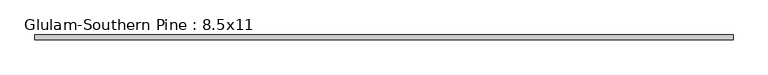
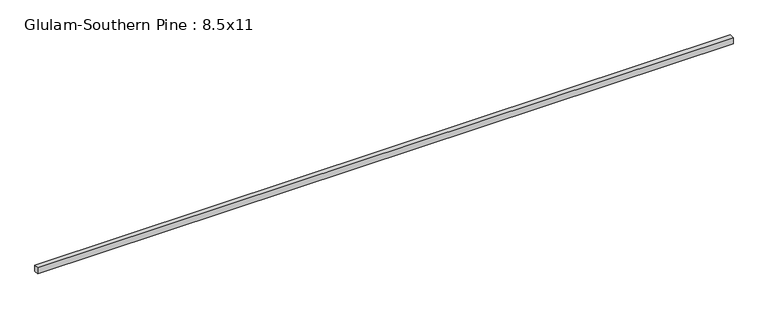
"""IFC4 building model written with IfcOpenShell, lengths in millimetres: beam geometry, Glulam-Southern Pine : 8.5x11."""

from ifc_helpers import new_model, si_unit, frame, origin, place, context, project, spatial, polyline, outline, extrude, source, transform, mapped, element, save


def glulam_southern_pine_8_5x11_414e248f(model_context):
    return source(origin(), model_context, "Body", "SweptSolid", [
        extrude(outline(polyline([(15462.25, 107.95), (15462.25, -107.95), (-15462.25, -107.95), (-15462.25, 107.95), (15462.25, 107.95)])), frame((0.0, 0.0, -139.7), z_axis=(0.0, 0.0, 1.0), x_axis=(1.0, 0.0, 0.0)), (0.0, 0.0, 1.0), 279.4),
    ])


if __name__ == "__main__":
    model = new_model("IFC4")
    model_context = context("Model", 3, world=origin())
    ifc_project = project(units=[si_unit("LENGTHUNIT", "METRE", prefix="MILLI")], contexts=[model_context])
    site = spatial("IfcSite", under=ifc_project)
    building = spatial("IfcBuilding", under=site)
    placement = place(None, origin())
    glulam_southern_pine_8_5x11_shape = glulam_southern_pine_8_5x11_414e248f(model_context)
    element("IfcBeam", 1, ObjectType="Glulam-Southern Pine : 8.5x11", at=placement, inside=building, context=model_context, shape_type="MappedRepresentation", body=[
        mapped(glulam_southern_pine_8_5x11_shape, transform((0.0, 0.0, 0.0), x_axis=(1.0, 0.0, 0.0), y_axis=(0.0, 1.0, 0.0), z_axis=(0.0, 0.0, 1.0))),
    ])
    save(model, "model.ifc")
